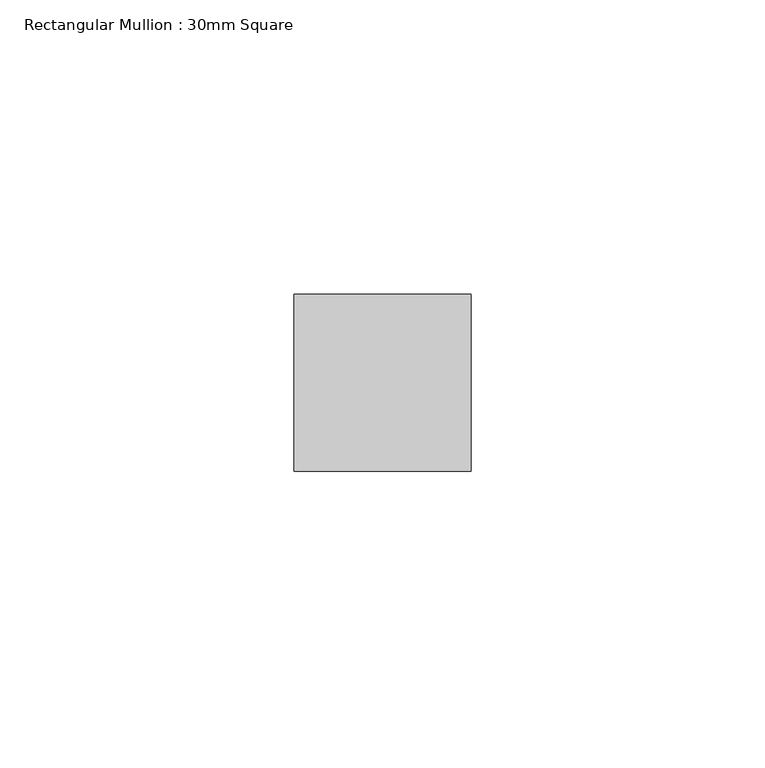
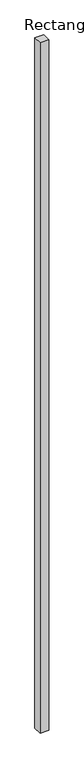
"""IFC4 building model written with IfcOpenShell, lengths in millimetres: member geometry, Rectangular Mullion : 30mm Square."""

from ifc_helpers import new_model, si_unit, frame, origin, place, context, project, spatial, polyline, outline, extrude, source, transform, mapped, element, save


def rectangular_mullion_30mm_square_265a0302(model_context):
    return source(origin(), model_context, "Body", "SweptSolid", [
        extrude(outline(polyline([(0.0, 15.0), (0.0, -15.0), (-30.0, -15.0), (-30.0, 15.0), (0.0, 15.0)])), frame((0.0, 0.0, -2470.0000003), z_axis=(0.0, 0.0, 1.0), x_axis=(1.0, 0.0, 0.0)), (0.0, 0.0, 1.0), 2470.0000003),
    ])


if __name__ == "__main__":
    model = new_model("IFC4")
    model_context = context("Model", 3, world=origin())
    ifc_project = project(units=[si_unit("LENGTHUNIT", "METRE", prefix="MILLI")], contexts=[model_context])
    site = spatial("IfcSite", under=ifc_project)
    building = spatial("IfcBuilding", under=site)
    placement = place(None, origin())
    rectangular_mullion_30mm_square_shape = rectangular_mullion_30mm_square_265a0302(model_context)
    element("IfcMember", 1, ObjectType="Rectangular Mullion : 30mm Square", at=placement, inside=building, context=model_context, shape_type="MappedRepresentation", body=[
        mapped(rectangular_mullion_30mm_square_shape, transform((0.0, 0.0, 0.0), x_axis=(1.0, 0.0, 0.0), y_axis=(0.0, 1.0, 0.0), z_axis=(0.0, 0.0, 1.0))),
    ])
    save(model, "model.ifc")
